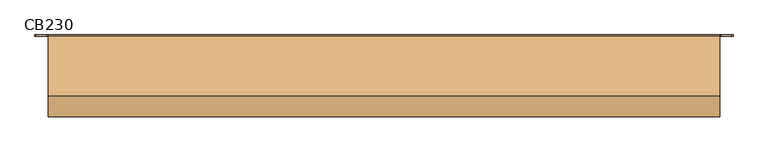
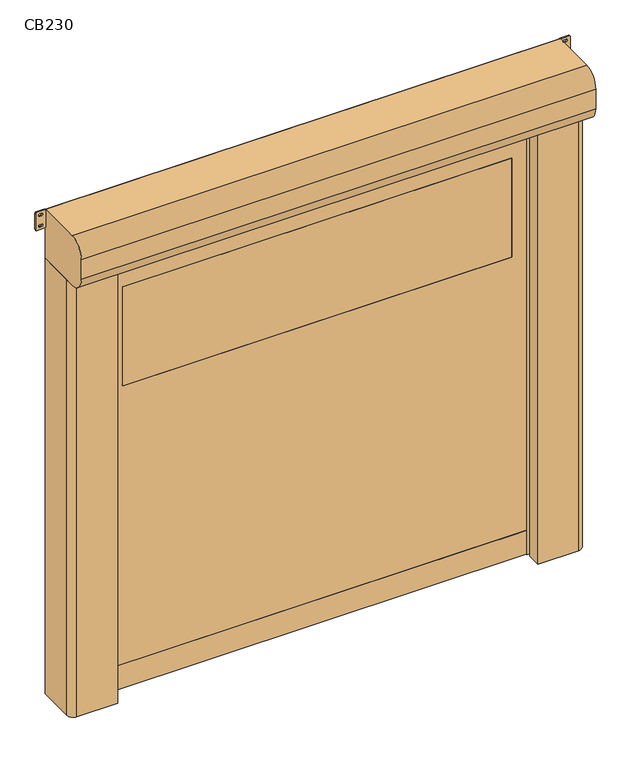
"""IFC4 building model written with IfcOpenShell, lengths in millimetres: door geometry, CB230."""

import ifcopenshell
import ifcopenshell.guid

model = None  # the IFC model being written
_history = None  # IfcOwnerHistory: only IFC2X3 demands one
_inside = {}  # id of a spatial element -> (the spatial element, [elements in it])
_under = {}  # id of a project, library or spatial element -> (it, [spatial elements below it])
_declared = {}  # id of a project -> (the project, [libraries it declares])
_typed = {}  # id of a type object -> (the type object, [elements of that type])
_made_of = {}  # id of a material, layer set ... -> (it, [elements and type objects made of it])


def new_model(schema):
    """Start an empty IFC model of exactly this schema.

    Asked for "IFC4X3", IfcOpenShell would pick the latest addendum, in which some entities
    have other attributes; the version numbers below select the first issue.
    IFC2X3 requires an IfcOwnerHistory on every rooted entity: one is made here for all.
    """
    global model, _history
    if schema == "IFC4X3":
        model = ifcopenshell.file(schema_version=(4, 3, 0, 0))
    else:
        model = ifcopenshell.file(schema=schema)
    _inside.clear()
    _under.clear()
    _declared.clear()
    _typed.clear()
    _made_of.clear()
    _history = None
    if model.schema == "IFC2X3":
        org = make("IfcOrganization", Name="unknown")
        user = make(
            "IfcPersonAndOrganization",
            ThePerson=make("IfcPerson", FamilyName="unknown"),
            TheOrganization=org,
        )
        app = make(
            "IfcApplication",
            ApplicationDeveloper=org,
            Version="unknown",
            ApplicationFullName="unknown",
            ApplicationIdentifier="unknown",
        )
        _history = make(
            "IfcOwnerHistory",
            OwningUser=user,
            OwningApplication=app,
            ChangeAction="ADDED",
            CreationDate=0,
        )
    return model


def make(cls, **values):
    """One entity of the class cls with the attributes given. An attribute that is None is left unset."""
    return model.create_entity(
        cls, **{name: value for name, value in values.items() if value is not None}
    )


def rooted(cls, **values):
    """An entity with a GlobalId (a new one), such as an element, a storey or a relation."""
    return make(cls, GlobalId=ifcopenshell.guid.new(), OwnerHistory=_history, **values)


def si_unit(unit_type, name, prefix=None):
    """IfcSIUnit, for example si_unit("LENGTHUNIT", "METRE", prefix="MILLI")."""
    return make("IfcSIUnit", UnitType=unit_type, Prefix=prefix, Name=name)


def assignment(units):
    """IfcUnitAssignment: the units of a project."""
    return None if units is None else make("IfcUnitAssignment", Units=units)


def point(xyz):
    """IfcCartesianPoint."""
    return None if xyz is None else make("IfcCartesianPoint", Coordinates=xyz)


def direction(xyz):
    """IfcDirection."""
    return None if xyz is None else make("IfcDirection", DirectionRatios=xyz)


def frame(location, z_axis=None, x_axis=None):
    """IfcAxis2Placement3D, a coordinate frame: its origin and axes. An axis left out is left unset."""
    return make(
        "IfcAxis2Placement3D",
        Location=point(location),
        Axis=direction(z_axis),
        RefDirection=direction(x_axis),
    )


def frame_2d(location, x_axis=None):
    """IfcAxis2Placement2D, a coordinate frame in the plane: its origin and x axis."""
    return make(
        "IfcAxis2Placement2D", Location=point(location), RefDirection=direction(x_axis)
    )


def origin():
    """The frame at (0, 0, 0) with its axes left unset."""
    return frame((0.0, 0.0, 0.0))


def origin_with_axes():
    """The frame at (0, 0, 0) with the z axis (0, 0, 1) and the x axis (1, 0, 0) written out."""
    return frame((0.0, 0.0, 0.0), z_axis=(0.0, 0.0, 1.0), x_axis=(1.0, 0.0, 0.0))


def place(relative_to, where):
    """IfcLocalPlacement: puts the frame where relative to a parent placement (None: the world)."""
    return make(
        "IfcLocalPlacement", PlacementRelTo=relative_to, RelativePlacement=where
    )


def context(
    kind, dimensions, precision=None, world=None, true_north=None, identifier=None
):
    """IfcGeometricRepresentationContext, for example the 3D "Model" context."""
    return make(
        "IfcGeometricRepresentationContext",
        ContextIdentifier=identifier,
        ContextType=kind,
        CoordinateSpaceDimension=dimensions,
        Precision=precision,
        WorldCoordinateSystem=world,
        TrueNorth=true_north,
    )


def project(units=None, contexts=None):
    """IfcProject with its units and contexts."""
    return rooted(
        "IfcProject",
        Name="project",
        RepresentationContexts=contexts,
        UnitsInContext=assignment(units),
    )


def spatial(cls, under=None, at=None, **own):
    """A site, building, storey or space (cls), placed at a placement, below another one or the project."""
    s = rooted(cls, ObjectPlacement=at, **own)
    if under is not None:
        _under.setdefault(under.id(), (under, []))[1].append(s)
    return s


def polyline(points):
    """IfcPolyline through the points."""
    return make("IfcPolyline", Points=[point(p) for p in points])


def circle_curve(where, radius):
    """IfcCircle in the frame where."""
    return make("IfcCircle", Position=where, Radius=radius)


def trimmed(basis, trim1, trim2, sense, master):
    """IfcTrimmedCurve: the piece of a basis curve between two trims."""
    return make(
        "IfcTrimmedCurve",
        BasisCurve=basis,
        Trim1=trim1,
        Trim2=trim2,
        SenseAgreement=sense,
        MasterRepresentation=master,
    )


def segment(curve, same_sense, transition):
    """IfcCompositeCurveSegment."""
    return make(
        "IfcCompositeCurveSegment",
        Transition=transition,
        SameSense=same_sense,
        ParentCurve=curve,
    )


def composite_curve(segments, self_intersect=None):
    """IfcCompositeCurve: segments joined end to end."""
    return make("IfcCompositeCurve", Segments=segments, SelfIntersect=self_intersect)


def outline(outer, holes=None, kind="AREA"):
    """IfcArbitraryClosedProfileDef: a profile drawn as a closed curve; with holes, ...WithVoids."""
    if holes is None:
        return make("IfcArbitraryClosedProfileDef", ProfileType=kind, OuterCurve=outer)
    return make(
        "IfcArbitraryProfileDefWithVoids",
        ProfileType=kind,
        OuterCurve=outer,
        InnerCurves=holes,
    )


def extrude(swept, where, along, depth):
    """IfcExtrudedAreaSolid: the profile swept, set in the frame where, extruded along a direction by depth."""
    return make(
        "IfcExtrudedAreaSolid",
        SweptArea=swept,
        Position=where,
        ExtrudedDirection=direction(along),
        Depth=depth,
    )


def shape(context_of_items, identifier, shape_type, items):
    """IfcShapeRepresentation: the items that make up one representation, for example the "Body"."""
    return make(
        "IfcShapeRepresentation",
        ContextOfItems=context_of_items,
        RepresentationIdentifier=identifier,
        RepresentationType=shape_type,
        Items=items,
    )


def source(mapping_origin, context_of_items, identifier, shape_type, items):
    """IfcRepresentationMap: a shape defined once, which mapped items show again and again."""
    return make(
        "IfcRepresentationMap",
        MappingOrigin=mapping_origin,
        MappedRepresentation=shape(context_of_items, identifier, shape_type, items),
    )


def transform(
    local_origin,
    x_axis=None,
    y_axis=None,
    z_axis=None,
    scale=None,
    scale2=None,
    scale3=None,
    uniform=True,
):
    """IfcCartesianTransformationOperator3D, or its non-uniform kind. x_axis, y_axis, z_axis: its Axis1, 2, 3."""
    if uniform:
        return make(
            "IfcCartesianTransformationOperator3D",
            Axis1=direction(x_axis),
            Axis2=direction(y_axis),
            LocalOrigin=point(local_origin),
            Scale=scale,
            Axis3=direction(z_axis),
        )
    return make(
        "IfcCartesianTransformationOperator3DnonUniform",
        Axis1=direction(x_axis),
        Axis2=direction(y_axis),
        LocalOrigin=point(local_origin),
        Scale=scale,
        Axis3=direction(z_axis),
        Scale2=scale2,
        Scale3=scale3,
    )


def mapped(mapping_source, mapping_target):
    """IfcMappedItem: shows the shape of a source again, moved by a transform."""
    return make(
        "IfcMappedItem", MappingSource=mapping_source, MappingTarget=mapping_target
    )


def made_of(thing, what):
    """Note that an element or type object is made of a material, layer set ...; save() writes the relation."""
    if what is not None:
        _made_of.setdefault(what.id(), (what, []))[1].append(thing)
    return thing


def element(
    cls,
    number,
    at=None,
    inside=None,
    cuts=None,
    type_object=None,
    material=None,
    context=None,
    identifier="Body",
    shape_type=None,
    held_by="IfcProductDefinitionShape",
    body=None,
    shapes=None,
    **own,
):
    """One element of the class cls, such as IfcWall. Its Tag is "e" and its number.

    at: its placement. inside: the storey or other place that contains it. cuts: it is an
    opening in that element (IfcRelVoidsElement). A single representation is given by context,
    identifier, shape_type and body (its items); several are given by shapes. held_by: the class
    of the entity that holds the representations. save() writes the other relations.
    """
    e = rooted(cls, Tag="e%d" % number, ObjectPlacement=at, **own)
    if body is not None:
        shapes = [shape(context, identifier, shape_type, body)]
    if shapes is not None:
        e.Representation = make(held_by, Representations=shapes)
    if inside is not None:
        _inside.setdefault(inside.id(), (inside, []))[1].append(e)
    if cuts is not None:
        rooted(
            "IfcRelVoidsElement", RelatingBuildingElement=cuts, RelatedOpeningElement=e
        )
    if type_object is not None:
        _typed.setdefault(type_object.id(), (type_object, []))[1].append(e)
    return made_of(e, material)


def aggregate(whole, parts):
    """IfcRelAggregates: a whole, such as a stair, and the parts it consists of."""
    return rooted("IfcRelAggregates", RelatingObject=whole, RelatedObjects=parts)


def save(model, path):
    """Write the relations noted so far, then the file.

    IfcRelAggregates (storeys below a building ...), IfcRelContainedInSpatialStructure (elements
    in a storey), IfcRelDefinesByType, IfcRelAssociatesMaterial and IfcRelDeclares: one each for
    every whole, place, type object, material and project.
    """
    for whole, parts in _under.values():
        aggregate(whole, parts)
    for where, things in _inside.values():
        rooted(
            "IfcRelContainedInSpatialStructure",
            RelatedElements=things,
            RelatingStructure=where,
        )
    for kind, things in _typed.values():
        rooted("IfcRelDefinesByType", RelatedObjects=things, RelatingType=kind)
    for what, things in _made_of.values():
        rooted("IfcRelAssociatesMaterial", RelatedObjects=things, RelatingMaterial=what)
    for by, libraries in _declared.values():
        rooted("IfcRelDeclares", RelatingContext=by, RelatedDefinitions=libraries)
    model.write(path)


def cb230_7affb9d1(model_context):
    return source(origin(), model_context, "Body", "SweptSolid", [
        extrude(outline(composite_curve([segment(trimmed(circle_curve(frame_2d((1416.6666667, 1136.0)), 6.0), [point((1422.6666667, 1136.0))], [point((1410.6666667, 1136.0))], False, "CARTESIAN"), True, "CONTINUOUS"), segment(polyline([(1410.6666667, 1136.0), (1410.6666667, 1154.0)]), True, "CONTINUOUS"), segment(trimmed(circle_curve(frame_2d((1416.6666667, 1154.0)), 6.0), [point((1410.6666667, 1154.0))], [point((1422.6666667, 1154.0))], False, "CARTESIAN"), True, "CONTINUOUS"), segment(polyline([(1422.6666667, 1154.0), (1422.6666667, 1136.0)]), True, "CONTINUOUS")], self_intersect=False)), frame((0.0, -20.0, 0.0), z_axis=(0.0, 1.0, 0.0), x_axis=(0.0, 0.0, 1.0)), (0.0, 0.0, 1.0), 20.0),
        extrude(outline(composite_curve([segment(trimmed(circle_curve(frame_2d((783.3333333, 1136.0)), 6.0), [point((789.3333333, 1136.0))], [point((777.3333333, 1136.0))], False, "CARTESIAN"), True, "CONTINUOUS"), segment(polyline([(777.3333333, 1136.0), (777.3333333, 1154.0)]), True, "CONTINUOUS"), segment(trimmed(circle_curve(frame_2d((783.3333333, 1154.0)), 6.0), [point((777.3333333, 1154.0))], [point((789.3333333, 1154.0))], False, "CARTESIAN"), True, "CONTINUOUS"), segment(polyline([(789.3333333, 1154.0), (789.3333333, 1136.0)]), True, "CONTINUOUS")], self_intersect=False)), frame((0.0, -20.0, 0.0), z_axis=(0.0, 1.0, 0.0), x_axis=(0.0, 0.0, 1.0)), (0.0, 0.0, 1.0), 20.0),
        extrude(outline(composite_curve([segment(trimmed(circle_curve(frame_2d((2050.0, 1136.0)), 6.0), [point((2056.0, 1136.0))], [point((2044.0, 1136.0))], False, "CARTESIAN"), True, "CONTINUOUS"), segment(polyline([(2044.0, 1136.0), (2044.0, 1154.0)]), True, "CONTINUOUS"), segment(trimmed(circle_curve(frame_2d((2050.0, 1154.0)), 6.0), [point((2044.0, 1154.0))], [point((2056.0, 1154.0))], False, "CARTESIAN"), True, "CONTINUOUS"), segment(polyline([(2056.0, 1154.0), (2056.0, 1136.0)]), True, "CONTINUOUS")], self_intersect=False)), frame((0.0, -20.0, 0.0), z_axis=(0.0, 1.0, 0.0), x_axis=(0.0, 0.0, 1.0)), (0.0, 0.0, 1.0), 20.0),
        extrude(outline(composite_curve([segment(trimmed(circle_curve(frame_2d((150.0, 1136.0)), 6.0), [point((156.0, 1136.0))], [point((144.0, 1136.0))], False, "CARTESIAN"), True, "CONTINUOUS"), segment(polyline([(144.0, 1136.0), (144.0, 1154.0)]), True, "CONTINUOUS"), segment(trimmed(circle_curve(frame_2d((150.0, 1154.0)), 6.0), [point((144.0, 1154.0))], [point((156.0, 1154.0))], False, "CARTESIAN"), True, "CONTINUOUS"), segment(polyline([(156.0, 1154.0), (156.0, 1136.0)]), True, "CONTINUOUS")], self_intersect=False)), frame((0.0, -20.0, 0.0), z_axis=(0.0, 1.0, 0.0), x_axis=(0.0, 0.0, 1.0)), (0.0, 0.0, 1.0), 20.0),
        extrude(outline(composite_curve([segment(polyline([(1422.6666667, -1136.0), (1422.6666667, -1154.0)]), True, "CONTINUOUS"), segment(trimmed(circle_curve(frame_2d((1416.6666667, -1154.0)), 6.0), [point((1422.6666667, -1154.0))], [point((1410.6666667, -1154.0))], False, "CARTESIAN"), True, "CONTINUOUS"), segment(polyline([(1410.6666667, -1154.0), (1410.6666667, -1136.0)]), True, "CONTINUOUS"), segment(trimmed(circle_curve(frame_2d((1416.6666667, -1136.0)), 6.0), [point((1410.6666667, -1136.0))], [point((1422.6666667, -1136.0))], False, "CARTESIAN"), True, "CONTINUOUS")], self_intersect=False)), frame((0.0, -20.0, 0.0), z_axis=(0.0, 1.0, 0.0), x_axis=(0.0, 0.0, 1.0)), (0.0, 0.0, 1.0), 20.0),
        extrude(outline(composite_curve([segment(polyline([(789.3333333, -1136.0), (789.3333333, -1154.0)]), True, "CONTINUOUS"), segment(trimmed(circle_curve(frame_2d((783.3333333, -1154.0)), 6.0), [point((789.3333333, -1154.0))], [point((777.3333333, -1154.0))], False, "CARTESIAN"), True, "CONTINUOUS"), segment(polyline([(777.3333333, -1154.0), (777.3333333, -1136.0)]), True, "CONTINUOUS"), segment(trimmed(circle_curve(frame_2d((783.3333333, -1136.0)), 6.0), [point((777.3333333, -1136.0))], [point((789.3333333, -1136.0))], False, "CARTESIAN"), True, "CONTINUOUS")], self_intersect=False)), frame((0.0, -20.0, 0.0), z_axis=(0.0, 1.0, 0.0), x_axis=(0.0, 0.0, 1.0)), (0.0, 0.0, 1.0), 20.0),
        extrude(outline(composite_curve([segment(polyline([(2056.0, -1136.0), (2056.0, -1154.0)]), True, "CONTINUOUS"), segment(trimmed(circle_curve(frame_2d((2050.0, -1154.0)), 6.0), [point((2056.0, -1154.0))], [point((2044.0, -1154.0))], False, "CARTESIAN"), True, "CONTINUOUS"), segment(polyline([(2044.0, -1154.0), (2044.0, -1136.0)]), True, "CONTINUOUS"), segment(trimmed(circle_curve(frame_2d((2050.0, -1136.0)), 6.0), [point((2044.0, -1136.0))], [point((2056.0, -1136.0))], False, "CARTESIAN"), True, "CONTINUOUS")], self_intersect=False)), frame((0.0, -20.0, 0.0), z_axis=(0.0, 1.0, 0.0), x_axis=(0.0, 0.0, 1.0)), (0.0, 0.0, 1.0), 20.0),
        extrude(outline(composite_curve([segment(polyline([(156.0, -1136.0), (156.0, -1154.0)]), True, "CONTINUOUS"), segment(trimmed(circle_curve(frame_2d((150.0, -1154.0)), 6.0), [point((156.0, -1154.0))], [point((144.0, -1154.0))], False, "CARTESIAN"), True, "CONTINUOUS"), segment(polyline([(144.0, -1154.0), (144.0, -1136.0)]), True, "CONTINUOUS"), segment(trimmed(circle_curve(frame_2d((150.0, -1136.0)), 6.0), [point((144.0, -1136.0))], [point((156.0, -1136.0))], False, "CARTESIAN"), True, "CONTINUOUS")], self_intersect=False)), frame((0.0, -20.0, 0.0), z_axis=(0.0, 1.0, 0.0), x_axis=(0.0, 0.0, 1.0)), (0.0, 0.0, 1.0), 20.0),
        extrude(outline(composite_curve([segment(trimmed(circle_curve(frame_2d((1526.0, 929.0)), 1.0), [point((1525.0, 929.0))], [point((1526.0, 930.0))], False, "CARTESIAN"), True, "CONTINUOUS"), segment(polyline([(1526.0, 930.0), (2024.0, 930.0)]), True, "CONTINUOUS"), segment(trimmed(circle_curve(frame_2d((2024.0, 929.0)), 1.0), [point((2024.0, 930.0))], [point((2025.0, 929.0))], False, "CARTESIAN"), True, "CONTINUOUS"), segment(polyline([(2025.0, 929.0), (2025.0, -929.0)]), True, "CONTINUOUS"), segment(trimmed(circle_curve(frame_2d((2024.0, -929.0)), 1.0), [point((2025.0, -929.0))], [point((2024.0, -930.0))], False, "CARTESIAN"), True, "CONTINUOUS"), segment(polyline([(2024.0, -930.0), (1526.0, -930.0)]), True, "CONTINUOUS"), segment(trimmed(circle_curve(frame_2d((1526.0, -929.0)), 1.0), [point((1526.0, -930.0))], [point((1525.0, -929.0))], False, "CARTESIAN"), True, "CONTINUOUS"), segment(polyline([(1525.0, -929.0), (1525.0, 929.0)]), True, "CONTINUOUS")], self_intersect=False)), frame((0.0, -123.5, 0.0), z_axis=(0.0, 1.0, 0.0), x_axis=(0.0, 0.0, 1.0)), (0.0, 0.0, 1.0), 7.0),
        extrude(outline(polyline([(120.0, -1012.0), (120.0, 1012.0), (2325.0, 1012.0), (2325.0, -1012.0), (120.0, -1012.0)]), holes=[composite_curve([segment(trimmed(circle_curve(frame_2d((1526.0, 929.0)), 1.0), [point((1526.0, 930.0))], [point((1525.0, 929.0))], True, "CARTESIAN"), True, "CONTINUOUS"), segment(polyline([(1525.0, 929.0), (1525.0, -929.0)]), True, "CONTINUOUS"), segment(trimmed(circle_curve(frame_2d((1526.0, -929.0)), 1.0), [point((1525.0, -929.0))], [point((1526.0, -930.0))], True, "CARTESIAN"), True, "CONTINUOUS"), segment(polyline([(1526.0, -930.0), (2024.0, -930.0)]), True, "CONTINUOUS"), segment(trimmed(circle_curve(frame_2d((2024.0, -929.0)), 1.0), [point((2024.0, -930.0))], [point((2025.0, -929.0))], True, "CARTESIAN"), True, "CONTINUOUS"), segment(polyline([(2025.0, -929.0), (2025.0, 929.0)]), True, "CONTINUOUS"), segment(trimmed(circle_curve(frame_2d((2024.0, 929.0)), 1.0), [point((2025.0, 929.0))], [point((2024.0, 930.0))], True, "CARTESIAN"), True, "CONTINUOUS"), segment(polyline([(2024.0, 930.0), (1526.0, 930.0)]), True, "CONTINUOUS")], self_intersect=False)]), frame((0.0, -123.5, 0.0), z_axis=(0.0, 1.0, 0.0), x_axis=(0.0, 0.0, 1.0)), (0.0, 0.0, 1.0), 7.0),
        extrude(outline(polyline([(-1012.0, -114.5), (1012.0, -114.5), (1012.0, -125.5), (-1012.0, -125.5), (-1012.0, -114.5)])), origin_with_axes(), (0.0, 0.0, 1.0), 120.0),
        extrude(outline(composite_curve([segment(trimmed(circle_curve(frame_2d((2363.75, 1235.75)), 5.75), [point((2363.75, 1230.0))], [point((2358.0, 1235.75))], False, "CARTESIAN"), True, "CONTINUOUS"), segment(polyline([(2358.0, 1235.75), (2358.0, 1273.25)]), True, "CONTINUOUS"), segment(trimmed(circle_curve(frame_2d((2363.75, 1273.25)), 5.75), [point((2358.0, 1273.25))], [point((2363.75, 1279.0))], False, "CARTESIAN"), True, "CONTINUOUS"), segment(polyline([(2363.75, 1279.0), (2444.25, 1279.0)]), True, "CONTINUOUS"), segment(trimmed(circle_curve(frame_2d((2444.25, 1273.25)), 5.75), [point((2444.25, 1279.0))], [point((2450.0, 1273.25))], False, "CARTESIAN"), True, "CONTINUOUS"), segment(polyline([(2450.0, 1273.25), (2450.0, 1235.75)]), True, "CONTINUOUS"), segment(trimmed(circle_curve(frame_2d((2444.25, 1235.75)), 5.75), [point((2450.0, 1235.75))], [point((2444.25, 1230.0))], False, "CARTESIAN"), True, "CONTINUOUS"), segment(polyline([(2444.25, 1230.0), (2363.75, 1230.0)]), True, "CONTINUOUS")], self_intersect=False), holes=[composite_curve([segment(trimmed(circle_curve(frame_2d((2431.5, 1258.75)), 5.75), [point((2437.25, 1258.75))], [point((2425.75, 1258.75))], True, "CARTESIAN"), True, "CONTINUOUS"), segment(polyline([(2425.75, 1258.75), (2425.75, 1250.25)]), True, "CONTINUOUS"), segment(trimmed(circle_curve(frame_2d((2431.5, 1250.25)), 5.75), [point((2425.75, 1250.25))], [point((2437.25, 1250.25))], True, "CARTESIAN"), True, "CONTINUOUS"), segment(polyline([(2437.25, 1250.25), (2437.25, 1258.75)]), True, "CONTINUOUS")], self_intersect=False), composite_curve([segment(trimmed(circle_curve(frame_2d((2376.5, 1258.75)), 5.75), [point((2382.25, 1258.75))], [point((2370.75, 1258.75))], True, "CARTESIAN"), True, "CONTINUOUS"), segment(polyline([(2370.75, 1258.75), (2370.75, 1250.25)]), True, "CONTINUOUS"), segment(trimmed(circle_curve(frame_2d((2376.5, 1250.25)), 5.75), [point((2370.75, 1250.25))], [point((2382.25, 1250.25))], True, "CARTESIAN"), True, "CONTINUOUS"), segment(polyline([(2382.25, 1250.25), (2382.25, 1258.75)]), True, "CONTINUOUS")], self_intersect=False)]), frame((0.0, -5.0, 0.0), z_axis=(0.0, 1.0, 0.0), x_axis=(0.0, 0.0, 1.0)), (0.0, 0.0, 1.0), 5.0),
        extrude(outline(composite_curve([segment(trimmed(circle_curve(frame_2d((2363.75, -1273.25)), 5.75), [point((2363.75, -1279.0))], [point((2358.0, -1273.25))], False, "CARTESIAN"), True, "CONTINUOUS"), segment(polyline([(2358.0, -1273.25), (2358.0, -1235.75)]), True, "CONTINUOUS"), segment(trimmed(circle_curve(frame_2d((2363.75, -1235.75)), 5.75), [point((2358.0, -1235.75))], [point((2363.75, -1230.0))], False, "CARTESIAN"), True, "CONTINUOUS"), segment(polyline([(2363.75, -1230.0), (2444.25, -1230.0)]), True, "CONTINUOUS"), segment(trimmed(circle_curve(frame_2d((2444.25, -1235.75)), 5.75), [point((2444.25, -1230.0))], [point((2450.0, -1235.75))], False, "CARTESIAN"), True, "CONTINUOUS"), segment(polyline([(2450.0, -1235.75), (2450.0, -1273.25)]), True, "CONTINUOUS"), segment(trimmed(circle_curve(frame_2d((2444.25, -1273.25)), 5.75), [point((2450.0, -1273.25))], [point((2444.25, -1279.0))], False, "CARTESIAN"), True, "CONTINUOUS"), segment(polyline([(2444.25, -1279.0), (2363.75, -1279.0)]), True, "CONTINUOUS")], self_intersect=False), holes=[composite_curve([segment(trimmed(circle_curve(frame_2d((2431.5, -1250.25)), 5.75), [point((2437.25, -1250.25))], [point((2425.75, -1250.25))], True, "CARTESIAN"), True, "CONTINUOUS"), segment(polyline([(2425.75, -1250.25), (2425.75, -1258.75)]), True, "CONTINUOUS"), segment(trimmed(circle_curve(frame_2d((2431.5, -1258.75)), 5.75), [point((2425.75, -1258.75))], [point((2437.25, -1258.75))], True, "CARTESIAN"), True, "CONTINUOUS"), segment(polyline([(2437.25, -1258.75), (2437.25, -1250.25)]), True, "CONTINUOUS")], self_intersect=False), composite_curve([segment(trimmed(circle_curve(frame_2d((2376.5, -1250.25)), 5.75), [point((2382.25, -1250.25))], [point((2370.75, -1250.25))], True, "CARTESIAN"), True, "CONTINUOUS"), segment(polyline([(2370.75, -1250.25), (2370.75, -1258.75)]), True, "CONTINUOUS"), segment(trimmed(circle_curve(frame_2d((2376.5, -1258.75)), 5.75), [point((2370.75, -1258.75))], [point((2382.25, -1258.75))], True, "CARTESIAN"), True, "CONTINUOUS"), segment(polyline([(2382.25, -1258.75), (2382.25, -1250.25)]), True, "CONTINUOUS")], self_intersect=False)]), frame((0.0, -5.0, 0.0), z_axis=(0.0, 1.0, 0.0), x_axis=(0.0, 0.0, 1.0)), (0.0, 0.0, 1.0), 5.0),
        extrude(outline(composite_curve([segment(polyline([(-1230.0, 0.0), (-1015.0, 0.0), (-1015.0, -104.2857143), (-1035.0, -110.0), (-1000.0, -110.0), (-1000.0, -116.5), (-1020.0, -116.5), (-1020.0, -123.5), (-1000.0, -123.5), (-1000.0, -130.0), (-1035.0, -130.0), (-1035.0, -145.0), (-1005.0, -145.0), (-1005.0, -210.0), (-1200.0, -210.0)]), True, "CONTINUOUS"), segment(trimmed(circle_curve(frame_2d((-1200.0, -180.0)), 30.0), [point((-1200.0, -210.0))], [point((-1230.0, -180.0))], False, "CARTESIAN"), True, "CONTINUOUS"), segment(polyline([(-1230.0, -180.0), (-1230.0, 0.0)]), True, "CONTINUOUS")], self_intersect=False)), origin_with_axes(), (0.0, 0.0, 1.0), 2200.0),
        extrude(outline(composite_curve([segment(polyline([(1230.0, 0.0), (1230.0, -180.0)]), True, "CONTINUOUS"), segment(trimmed(circle_curve(frame_2d((1200.0, -180.0)), 30.0), [point((1230.0, -180.0))], [point((1200.0, -210.0))], False, "CARTESIAN"), True, "CONTINUOUS"), segment(polyline([(1200.0, -210.0), (1005.0, -210.0), (1005.0, -145.0), (1035.0, -145.0), (1035.0, -130.0), (1000.0, -130.0), (1000.0, -123.5), (1020.0, -123.5), (1020.0, -116.5), (1000.0, -116.5), (1000.0, -110.0), (1035.0, -110.0), (1015.0, -104.2857143), (1015.0, 0.0), (1230.0, 0.0)]), True, "CONTINUOUS")], self_intersect=False)), origin_with_axes(), (0.0, 0.0, 1.0), 2200.0),
        extrude(outline(composite_curve([segment(trimmed(circle_curve(frame_2d((-5.0, 2205.0)), 5.0), [point((0.0, 2205.0))], [point((-5.0, 2200.0))], False, "CARTESIAN"), True, "CONTINUOUS"), segment(polyline([(-5.0, 2200.0), (-225.0, 2200.0)]), True, "CONTINUOUS"), segment(trimmed(circle_curve(frame_2d((-225.0, 2275.0)), 75.0), [point((-225.0, 2200.0))], [point((-300.0, 2275.0))], False, "CARTESIAN"), True, "CONTINUOUS"), segment(polyline([(-300.0, 2275.0), (-300.0, 2375.0)]), True, "CONTINUOUS"), segment(trimmed(circle_curve(frame_2d((-225.0, 2375.0)), 75.0), [point((-300.0, 2375.0))], [point((-225.0, 2450.0))], False, "CARTESIAN"), True, "CONTINUOUS"), segment(polyline([(-225.0, 2450.0), (-5.0, 2450.0)]), True, "CONTINUOUS"), segment(trimmed(circle_curve(frame_2d((-5.0, 2445.0)), 5.0), [point((-5.0, 2450.0))], [point((0.0, 2445.0))], False, "CARTESIAN"), True, "CONTINUOUS"), segment(polyline([(0.0, 2445.0), (0.0, 2205.0)]), True, "CONTINUOUS")], self_intersect=False)), frame((-1230.0, 0.0, 0.0), z_axis=(1.0, 0.0, 0.0), x_axis=(0.0, 1.0, 0.0)), (0.0, 0.0, 1.0), 2460.0),
    ])


if __name__ == "__main__":
    model = new_model("IFC4")
    model_context = context("Model", 3, world=origin())
    ifc_project = project(units=[si_unit("LENGTHUNIT", "METRE", prefix="MILLI")], contexts=[model_context])
    site = spatial("IfcSite", under=ifc_project)
    building = spatial("IfcBuilding", under=site)
    placement = place(None, origin())
    cb230_shape = cb230_7affb9d1(model_context)
    element("IfcDoor", 1, ObjectType="CB230", at=placement, inside=building, context=model_context, shape_type="MappedRepresentation", body=[
        mapped(cb230_shape, transform((0.0, 0.0, 0.0), x_axis=(1.0, 0.0, 0.0), y_axis=(0.0, 1.0, 0.0), z_axis=(0.0, 0.0, 1.0))),
    ])
    save(model, "model.ifc")
